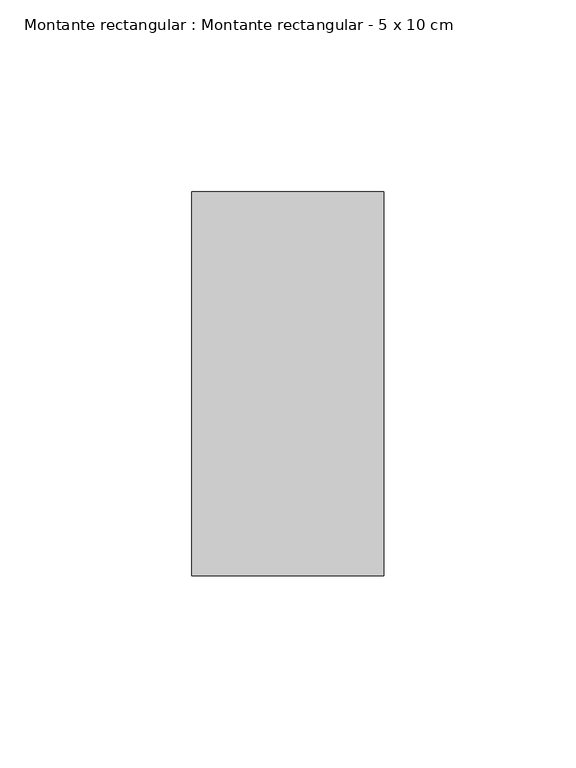
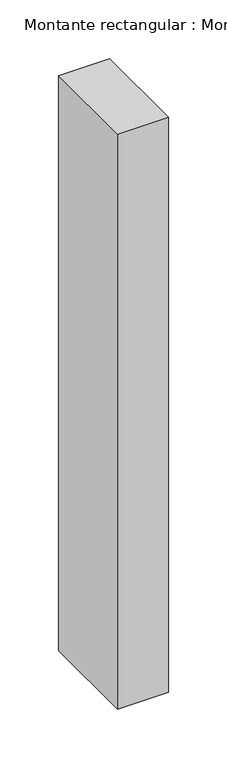
"""IFC4 building model written with IfcOpenShell, lengths in millimetres: member geometry, Montante rectangular : Montante rectangular - 5 x 10 cm."""

from ifc_helpers import new_model, si_unit, frame, origin, place, context, project, spatial, polyline, outline, extrude, source, transform, mapped, element, save


def montante_rectangular_montante_rectangular_5_x_10_cm_2d6fdb5c(model_context):
    return source(origin(), model_context, "Body", "SweptSolid", [
        extrude(outline(polyline([(-50.0, 50.0), (0.0, 50.0), (0.0, -50.0), (-50.0, -50.0), (-50.0, 50.0)])), frame((0.0, 0.0, -597.0), z_axis=(0.0, 0.0, 1.0), x_axis=(1.0, 0.0, 0.0)), (0.0, 0.0, 1.0), 597.0),
    ])


if __name__ == "__main__":
    model = new_model("IFC4")
    model_context = context("Model", 3, world=origin())
    ifc_project = project(units=[si_unit("LENGTHUNIT", "METRE", prefix="MILLI")], contexts=[model_context])
    site = spatial("IfcSite", under=ifc_project)
    building = spatial("IfcBuilding", under=site)
    placement = place(None, origin())
    montante_rectangular_montante_rectangular_5_x_10_cm_shape = montante_rectangular_montante_rectangular_5_x_10_cm_2d6fdb5c(model_context)
    element("IfcMember", 1, ObjectType="Montante rectangular : Montante rectangular - 5 x 10 cm", at=placement, inside=building, context=model_context, shape_type="MappedRepresentation", body=[
        mapped(montante_rectangular_montante_rectangular_5_x_10_cm_shape, transform((0.0, 0.0, 0.0), x_axis=(1.0, 0.0, 0.0), y_axis=(0.0, 1.0, 0.0), z_axis=(0.0, 0.0, 1.0))),
    ])
    save(model, "model.ifc")
